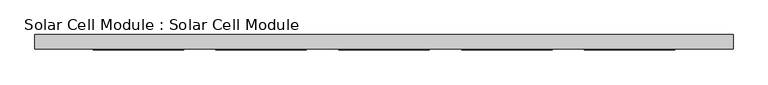
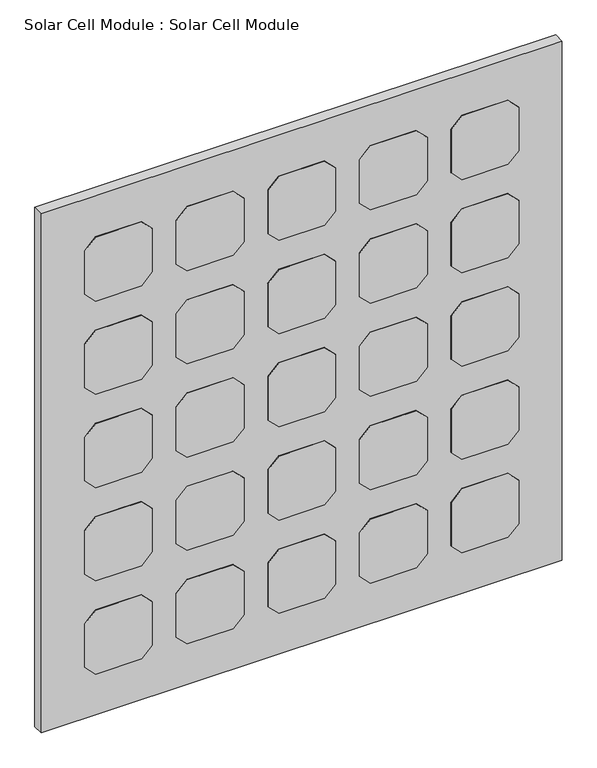
"""IFC4 building model written with IfcOpenShell, lengths in millimetres: plate geometry, Solar Cell Module : Solar Cell Module."""

from ifc_helpers import new_model, si_unit, frame, origin, origin_with_axes, place, context, project, spatial, polyline, outline, extrude, source, transform, mapped, element, save


def solar_cell_module_solar_cell_module_f0f3b502(model_context):
    return source(origin(), model_context, "Body", "SweptSolid", [
        extrude(outline(polyline([(782.0070389, 264.3689301), (807.0070389, 289.3689301), (913.0070389, 289.3689301), (938.0070389, 264.3689301), (938.0070389, 158.3689301), (913.0070389, 133.3689301), (807.0070389, 133.3689301), (782.0070389, 158.3689301), (782.0070389, 264.3689301)])), frame((0.0, -26.0, 0.0), z_axis=(0.0, 1.0, 0.0), x_axis=(0.0, 0.0, 1.0)), (0.0, 0.0, 1.0), 1.0),
        extrude(outline(polyline([(554.6713593, 264.3689301), (579.6713593, 289.3689301), (685.6713593, 289.3689301), (710.6713593, 264.3689301), (710.6713593, 158.3689301), (685.6713593, 133.3689301), (579.6713593, 133.3689301), (554.6713593, 158.3689301), (554.6713593, 264.3689301)])), frame((0.0, -26.0, 0.0), z_axis=(0.0, 1.0, 0.0), x_axis=(0.0, 0.0, 1.0)), (0.0, 0.0, 1.0), 1.0),
        extrude(outline(polyline([(327.3356796, 264.3689301), (352.3356796, 289.3689301), (458.3356796, 289.3689301), (483.3356796, 264.3689301), (483.3356796, 158.3689301), (458.3356796, 133.3689301), (352.3356796, 133.3689301), (327.3356796, 158.3689301), (327.3356796, 264.3689301)])), frame((0.0, -26.0, 0.0), z_axis=(0.0, 1.0, 0.0), x_axis=(0.0, 0.0, 1.0)), (0.0, 0.0, 1.0), 1.0),
        extrude(outline(polyline([(1009.3427185, 264.3689301), (1034.3427185, 289.3689301), (1140.3427185, 289.3689301), (1165.3427185, 264.3689301), (1165.3427185, 158.3689301), (1140.3427185, 133.3689301), (1034.3427185, 133.3689301), (1009.3427185, 158.3689301), (1009.3427185, 264.3689301)])), frame((0.0, -26.0, 0.0), z_axis=(0.0, 1.0, 0.0), x_axis=(0.0, 0.0, 1.0)), (0.0, 0.0, 1.0), 1.0),
        extrude(outline(polyline([(100.0, 264.3689301), (125.0, 289.3689301), (231.0, 289.3689301), (256.0, 264.3689301), (256.0, 158.3689301), (231.0, 133.3689301), (125.0, 133.3689301), (100.0, 158.3689301), (100.0, 264.3689301)])), frame((0.0, -26.0, 0.0), z_axis=(0.0, 1.0, 0.0), x_axis=(0.0, 0.0, 1.0)), (0.0, 0.0, 1.0), 1.0),
        extrude(outline(polyline([(782.0070389, 53.0), (807.0070389, 78.0), (913.0070389, 78.0), (938.0070389, 53.0), (938.0070389, -53.0), (913.0070389, -78.0), (807.0070389, -78.0), (782.0070389, -53.0), (782.0070389, 53.0)])), frame((0.0, -26.0, 0.0), z_axis=(0.0, 1.0, 0.0), x_axis=(0.0, 0.0, 1.0)), (0.0, 0.0, 1.0), 1.0),
        extrude(outline(polyline([(554.6713593, 53.0), (579.6713593, 78.0), (685.6713593, 78.0), (710.6713593, 53.0), (710.6713593, -53.0), (685.6713593, -78.0), (579.6713593, -78.0), (554.6713593, -53.0), (554.6713593, 53.0)])), frame((0.0, -26.0, 0.0), z_axis=(0.0, 1.0, 0.0), x_axis=(0.0, 0.0, 1.0)), (0.0, 0.0, 1.0), 1.0),
        extrude(outline(polyline([(327.3356796, 53.0), (352.3356796, 78.0), (458.3356796, 78.0), (483.3356796, 53.0), (483.3356796, -53.0), (458.3356796, -78.0), (352.3356796, -78.0), (327.3356796, -53.0), (327.3356796, 53.0)])), frame((0.0, -26.0, 0.0), z_axis=(0.0, 1.0, 0.0), x_axis=(0.0, 0.0, 1.0)), (0.0, 0.0, 1.0), 1.0),
        extrude(outline(polyline([(1009.3427185, 53.0), (1034.3427185, 78.0), (1140.3427185, 78.0), (1165.3427185, 53.0), (1165.3427185, -53.0), (1140.3427185, -78.0), (1034.3427185, -78.0), (1009.3427185, -53.0), (1009.3427185, 53.0)])), frame((0.0, -26.0, 0.0), z_axis=(0.0, 1.0, 0.0), x_axis=(0.0, 0.0, 1.0)), (0.0, 0.0, 1.0), 1.0),
        extrude(outline(polyline([(100.0, 53.0), (125.0, 78.0), (231.0, 78.0), (256.0, 53.0), (256.0, -53.0), (231.0, -78.0), (125.0, -78.0), (100.0, -53.0), (100.0, 53.0)])), frame((0.0, -26.0, 0.0), z_axis=(0.0, 1.0, 0.0), x_axis=(0.0, 0.0, 1.0)), (0.0, 0.0, 1.0), 1.0),
        extrude(outline(polyline([(782.0070389, -158.3689301), (807.0070389, -133.3689301), (913.0070389, -133.3689301), (938.0070389, -158.3689301), (938.0070389, -264.3689301), (913.0070389, -289.3689301), (807.0070389, -289.3689301), (782.0070389, -264.3689301), (782.0070389, -158.3689301)])), frame((0.0, -26.0, 0.0), z_axis=(0.0, 1.0, 0.0), x_axis=(0.0, 0.0, 1.0)), (0.0, 0.0, 1.0), 1.0),
        extrude(outline(polyline([(554.6713593, -158.3689301), (579.6713593, -133.3689301), (685.6713593, -133.3689301), (710.6713593, -158.3689301), (710.6713593, -264.3689301), (685.6713593, -289.3689301), (579.6713593, -289.3689301), (554.6713593, -264.3689301), (554.6713593, -158.3689301)])), frame((0.0, -26.0, 0.0), z_axis=(0.0, 1.0, 0.0), x_axis=(0.0, 0.0, 1.0)), (0.0, 0.0, 1.0), 1.0),
        extrude(outline(polyline([(327.3356796, -158.3689301), (352.3356796, -133.3689301), (458.3356796, -133.3689301), (483.3356796, -158.3689301), (483.3356796, -264.3689301), (458.3356796, -289.3689301), (352.3356796, -289.3689301), (327.3356796, -264.3689301), (327.3356796, -158.3689301)])), frame((0.0, -26.0, 0.0), z_axis=(0.0, 1.0, 0.0), x_axis=(0.0, 0.0, 1.0)), (0.0, 0.0, 1.0), 1.0),
        extrude(outline(polyline([(1009.3427185, -158.3689301), (1034.3427185, -133.3689301), (1140.3427185, -133.3689301), (1165.3427185, -158.3689301), (1165.3427185, -264.3689301), (1140.3427185, -289.3689301), (1034.3427185, -289.3689301), (1009.3427185, -264.3689301), (1009.3427185, -158.3689301)])), frame((0.0, -26.0, 0.0), z_axis=(0.0, 1.0, 0.0), x_axis=(0.0, 0.0, 1.0)), (0.0, 0.0, 1.0), 1.0),
        extrude(outline(polyline([(100.0, -158.3689301), (125.0, -133.3689301), (231.0, -133.3689301), (256.0, -158.3689301), (256.0, -264.3689301), (231.0, -289.3689301), (125.0, -289.3689301), (100.0, -264.3689301), (100.0, -158.3689301)])), frame((0.0, -26.0, 0.0), z_axis=(0.0, 1.0, 0.0), x_axis=(0.0, 0.0, 1.0)), (0.0, 0.0, 1.0), 1.0),
        extrude(outline(polyline([(782.0070389, 475.7378602), (807.0070389, 500.7378602), (913.0070389, 500.7378602), (938.0070389, 475.7378602), (938.0070389, 369.7378602), (913.0070389, 344.7378602), (807.0070389, 344.7378602), (782.0070389, 369.7378602), (782.0070389, 475.7378602)])), frame((0.0, -26.0, 0.0), z_axis=(0.0, 1.0, 0.0), x_axis=(0.0, 0.0, 1.0)), (0.0, 0.0, 1.0), 1.0),
        extrude(outline(polyline([(554.6713593, 475.7378602), (579.6713593, 500.7378602), (685.6713593, 500.7378602), (710.6713593, 475.7378602), (710.6713593, 369.7378602), (685.6713593, 344.7378602), (579.6713593, 344.7378602), (554.6713593, 369.7378602), (554.6713593, 475.7378602)])), frame((0.0, -26.0, 0.0), z_axis=(0.0, 1.0, 0.0), x_axis=(0.0, 0.0, 1.0)), (0.0, 0.0, 1.0), 1.0),
        extrude(outline(polyline([(327.3356796, 475.7378602), (352.3356796, 500.7378602), (458.3356796, 500.7378602), (483.3356796, 475.7378602), (483.3356796, 369.7378602), (458.3356796, 344.7378602), (352.3356796, 344.7378602), (327.3356796, 369.7378602), (327.3356796, 475.7378602)])), frame((0.0, -26.0, 0.0), z_axis=(0.0, 1.0, 0.0), x_axis=(0.0, 0.0, 1.0)), (0.0, 0.0, 1.0), 1.0),
        extrude(outline(polyline([(1009.3427185, 475.7378602), (1034.3427185, 500.7378602), (1140.3427185, 500.7378602), (1165.3427185, 475.7378602), (1165.3427185, 369.7378602), (1140.3427185, 344.7378602), (1034.3427185, 344.7378602), (1009.3427185, 369.7378602), (1009.3427185, 475.7378602)])), frame((0.0, -26.0, 0.0), z_axis=(0.0, 1.0, 0.0), x_axis=(0.0, 0.0, 1.0)), (0.0, 0.0, 1.0), 1.0),
        extrude(outline(polyline([(100.0, 475.7378602), (125.0, 500.7378602), (231.0, 500.7378602), (256.0, 475.7378602), (256.0, 369.7378602), (231.0, 344.7378602), (125.0, 344.7378602), (100.0, 369.7378602), (100.0, 475.7378602)])), frame((0.0, -26.0, 0.0), z_axis=(0.0, 1.0, 0.0), x_axis=(0.0, 0.0, 1.0)), (0.0, 0.0, 1.0), 1.0),
        extrude(outline(polyline([(782.0070389, -369.7378602), (807.0070389, -344.7378602), (913.0070389, -344.7378602), (938.0070389, -369.7378602), (938.0070389, -475.7378602), (913.0070389, -500.7378602), (807.0070389, -500.7378602), (782.0070389, -475.7378602), (782.0070389, -369.7378602)])), frame((0.0, -26.0, 0.0), z_axis=(0.0, 1.0, 0.0), x_axis=(0.0, 0.0, 1.0)), (0.0, 0.0, 1.0), 1.0),
        extrude(outline(polyline([(554.6713593, -369.7378602), (579.6713593, -344.7378602), (685.6713593, -344.7378602), (710.6713593, -369.7378602), (710.6713593, -475.7378602), (685.6713593, -500.7378602), (579.6713593, -500.7378602), (554.6713593, -475.7378602), (554.6713593, -369.7378602)])), frame((0.0, -26.0, 0.0), z_axis=(0.0, 1.0, 0.0), x_axis=(0.0, 0.0, 1.0)), (0.0, 0.0, 1.0), 1.0),
        extrude(outline(polyline([(327.3356796, -369.7378602), (352.3356796, -344.7378602), (458.3356796, -344.7378602), (483.3356796, -369.7378602), (483.3356796, -475.7378602), (458.3356796, -500.7378602), (352.3356796, -500.7378602), (327.3356796, -475.7378602), (327.3356796, -369.7378602)])), frame((0.0, -26.0, 0.0), z_axis=(0.0, 1.0, 0.0), x_axis=(0.0, 0.0, 1.0)), (0.0, 0.0, 1.0), 1.0),
        extrude(outline(polyline([(1009.3427185, -369.7378602), (1034.3427185, -344.7378602), (1140.3427185, -344.7378602), (1165.3427185, -369.7378602), (1165.3427185, -475.7378602), (1140.3427185, -500.7378602), (1034.3427185, -500.7378602), (1009.3427185, -475.7378602), (1009.3427185, -369.7378602)])), frame((0.0, -26.0, 0.0), z_axis=(0.0, 1.0, 0.0), x_axis=(0.0, 0.0, 1.0)), (0.0, 0.0, 1.0), 1.0),
        extrude(outline(polyline([(100.0, -369.7378602), (125.0, -344.7378602), (231.0, -344.7378602), (256.0, -369.7378602), (256.0, -475.7378602), (231.0, -500.7378602), (125.0, -500.7378602), (100.0, -475.7378602), (100.0, -369.7378602)])), frame((0.0, -26.0, 0.0), z_axis=(0.0, 1.0, 0.0), x_axis=(0.0, 0.0, 1.0)), (0.0, 0.0, 1.0), 1.0),
        extrude(outline(polyline([(600.7378602, -25.0), (-600.7378602, -25.0), (-600.7378602, 0.0), (600.7378602, 0.0), (600.7378602, -25.0)])), origin_with_axes(), (0.0, 0.0, 1.0), 1265.3427185),
    ])


if __name__ == "__main__":
    model = new_model("IFC4")
    model_context = context("Model", 3, world=origin())
    ifc_project = project(units=[si_unit("LENGTHUNIT", "METRE", prefix="MILLI")], contexts=[model_context])
    site = spatial("IfcSite", under=ifc_project)
    building = spatial("IfcBuilding", under=site)
    placement = place(None, origin())
    solar_cell_module_solar_cell_module_shape = solar_cell_module_solar_cell_module_f0f3b502(model_context)
    element("IfcPlate", 1, ObjectType="Solar Cell Module : Solar Cell Module", at=placement, inside=building, context=model_context, shape_type="MappedRepresentation", body=[
        mapped(solar_cell_module_solar_cell_module_shape, transform((0.0, 0.0, 0.0), x_axis=(1.0, 0.0, 0.0), y_axis=(0.0, 1.0, 0.0), z_axis=(0.0, 0.0, 1.0))),
    ])
    save(model, "model.ifc")
